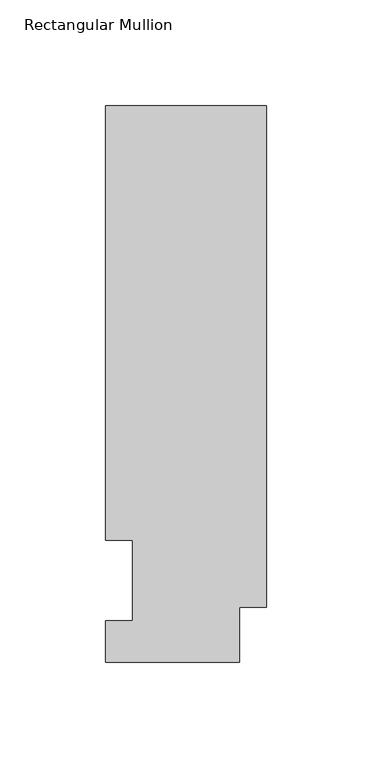
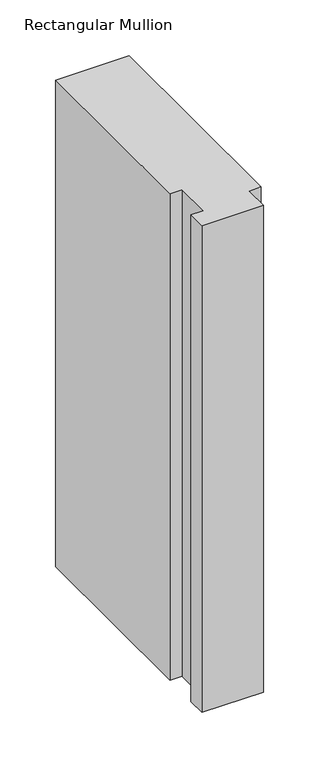
"""IFC4 building model written with IfcOpenShell, lengths in millimetres: member geometry, Rectangular Mullion."""

from ifc_helpers import new_model, si_unit, frame, origin, place, context, project, spatial, polyline, outline, extrude, source, transform, mapped, element, save


def rectangular_mullion_c8629686(model_context):
    return source(origin(), model_context, "Body", "SweptSolid", [
        extrude(outline(polyline([(0.0, 263.2336938), (0.0, 25.8955957), (-12.7, 25.8955957), (-12.7, 0.0134938), (-76.2, 0.0134938), (-76.2, 19.5460938), (-63.5, 19.5460938), (-63.5, 57.6460938), (-76.2, 57.6460937), (-76.2, 263.2336938), (0.0, 263.2336938)])), frame((0.0, 0.0, -533.4134937), z_axis=(0.0, 0.0, 1.0), x_axis=(1.0, 0.0, 0.0)), (0.0, 0.0, 1.0), 533.4134937),
    ])


if __name__ == "__main__":
    model = new_model("IFC4")
    model_context = context("Model", 3, world=origin())
    ifc_project = project(units=[si_unit("LENGTHUNIT", "METRE", prefix="MILLI")], contexts=[model_context])
    site = spatial("IfcSite", under=ifc_project)
    building = spatial("IfcBuilding", under=site)
    placement = place(None, origin())
    rectangular_mullion_shape = rectangular_mullion_c8629686(model_context)
    element("IfcMember", 1, ObjectType="Rectangular Mullion", at=placement, inside=building, context=model_context, shape_type="MappedRepresentation", body=[
        mapped(rectangular_mullion_shape, transform((0.0, 0.0, 0.0), x_axis=(1.0, 0.0, 0.0), y_axis=(0.0, 1.0, 0.0), z_axis=(0.0, 0.0, 1.0))),
    ])
    save(model, "model.ifc")
